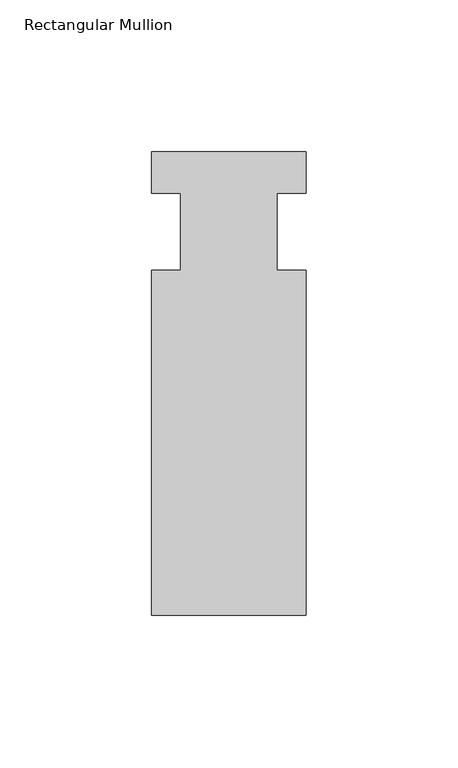
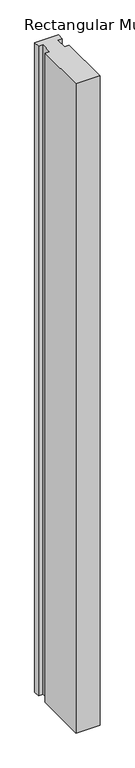
"""IFC4 building model written with IfcOpenShell, lengths in millimetres: member geometry, Rectangular Mullion."""

from ifc_helpers import new_model, si_unit, frame, origin, place, context, project, spatial, polyline, outline, extrude, source, transform, mapped, element, save


def rectangular_mullion_6e31c02b(model_context):
    return source(origin(), model_context, "Body", "SweptSolid", [
        extrude(outline(polyline([(-25.4, 26.19375), (25.4, 26.19375), (25.4, 12.7), (15.875, 12.7), (15.875, -12.7), (25.4, -12.7), (25.4, -126.20625), (-25.4, -126.20625), (-25.4, -12.7), (-15.875, -12.7), (-15.875, 12.7), (-25.4, 12.7), (-25.4, 26.19375)])), frame((0.0, 0.0, -1460.5), z_axis=(0.0, 0.0, 1.0), x_axis=(1.0, 0.0, 0.0)), (0.0, 0.0, 1.0), 1460.5),
    ])


if __name__ == "__main__":
    model = new_model("IFC4")
    model_context = context("Model", 3, world=origin())
    ifc_project = project(units=[si_unit("LENGTHUNIT", "METRE", prefix="MILLI")], contexts=[model_context])
    site = spatial("IfcSite", under=ifc_project)
    building = spatial("IfcBuilding", under=site)
    placement = place(None, origin())
    rectangular_mullion_shape = rectangular_mullion_6e31c02b(model_context)
    element("IfcMember", 1, ObjectType="Rectangular Mullion", at=placement, inside=building, context=model_context, shape_type="MappedRepresentation", body=[
        mapped(rectangular_mullion_shape, transform((0.0, 0.0, 0.0), x_axis=(1.0, 0.0, 0.0), y_axis=(0.0, 1.0, 0.0), z_axis=(0.0, 0.0, 1.0))),
    ])
    save(model, "model.ifc")
